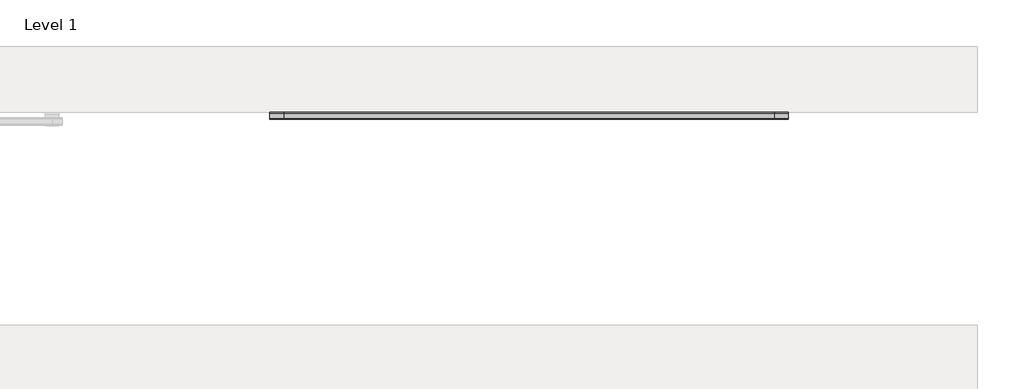
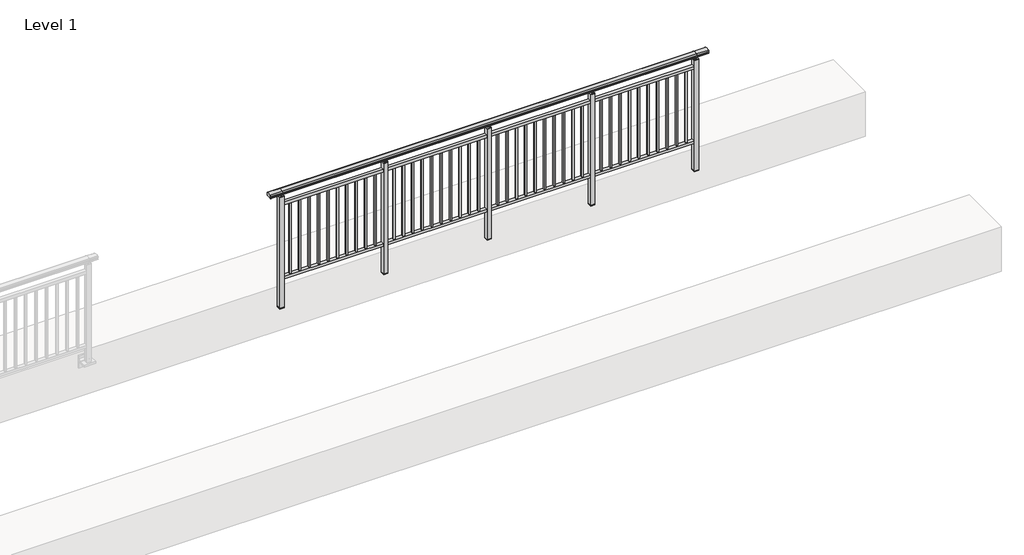
# One storey, part 20 of 64: 1 railing.
"""IFC4 building model written with IfcOpenShell, lengths in millimetres."""

from ifc_helpers import new_model, si_unit, frame, origin, place, context, project, spatial, polyline, circle_curve, outline, extrude, element, save
from ifc_brep_helpers import plane_surface, cylinder_surface, revolved_surface, advanced_brep

model = new_model("IFC4")

# Units and contexts
model_context = context("Model", 3, world=origin())
ifc_project = project(units=[si_unit("LENGTHUNIT", "METRE", prefix="MILLI")], contexts=[model_context])

# Site, building, storey
site = spatial("IfcSite", under=ifc_project)
building = spatial("IfcBuilding", under=site)
storey = spatial("IfcBuildingStorey", under=building, Name="Level 1", Elevation=0.0)

# Railing
placement = place(None, origin())
element("IfcRailing", 1, at=placement, inside=storey, context=model_context, shape_type="SolidModel", body=[
    advanced_brep(
    [(19349.5, 4892.8633756, 1095.6691182), (19349.5, 4897.6846828, 1081.1334092), (19349.5, 4896.7413744, 1069.2539035), (19349.5, 4898.6364177, 1061.4863007), (19349.5, 4896.9894799, 1060.384124), (19349.5, 4896.9894799, 1062.0), (19349.5, 4838.3798858, 1062.0), (19349.5, 4838.3798858, 1060.384124), (19349.5, 4836.732948, 1061.4863007), (19349.5, 4838.6279912, 1069.2539035), (19349.5, 4837.6846828, 1081.1334092), (19349.5, 4842.50599, 1095.6691182), (24004.5, 4892.8633756, 1095.6691182), (24004.5, 4842.50599, 1095.6691182), (24004.5, 4837.6846828, 1081.1334092), (24004.5, 4838.6279912, 1069.2539035), (24004.5, 4836.732948, 1061.4863007), (24004.5, 4838.3798858, 1060.384124), (24004.5, 4838.3798858, 1062.0), (24004.5, 4896.9894799, 1062.0), (24004.5, 4896.9894799, 1060.384124), (24004.5, 4898.6364177, 1061.4863007), (24004.5, 4896.7413744, 1069.2539035), (24004.5, 4897.6846828, 1081.1334092), (19477.0, 4892.8633756, 1095.6691182), (19477.0, 4897.6846828, 1081.1334092), (19477.0, 4896.7413744, 1069.2539035), (19477.0, 4898.6364177, 1061.4863007), (19477.0, 4896.9894799, 1060.384124), (19477.0, 4896.9894799, 1062.0), (19477.0, 4838.3798858, 1062.0), (19477.0, 4838.3798858, 1060.384124), (19477.0, 4836.732948, 1061.4863007), (19477.0, 4838.6279912, 1069.2539035), (19477.0, 4837.6846828, 1081.1334092), (19477.0, 4842.50599, 1095.6691182), (23877.0, 4892.8633756, 1095.6691182), (23877.0, 4897.6846828, 1081.1334092), (23877.0, 4896.7413744, 1069.2539035), (23877.0, 4898.6364177, 1061.4863007), (23877.0, 4896.9894799, 1060.384124), (23877.0, 4896.9894799, 1062.0), (23877.0, 4838.3798858, 1062.0), (23877.0, 4838.3798858, 1060.384124), (23877.0, 4836.732948, 1061.4863007), (23877.0, 4838.6279912, 1069.2539035), (23877.0, 4837.6846828, 1081.1334092), (23877.0, 4842.50599, 1095.6691182)],
    [
        (0, 1, circle_curve(frame((19349.5, 4889.6223845, 1086.526686), z_axis=(-1.0, 0.0, 0.0), x_axis=(0.0, -1.0, 0.0)), 9.6999015)),
        (1, 2, circle_curve(frame((19349.5, 4915.2252545, 1073.7633709), z_axis=(1.0, 0.0, 0.0), x_axis=(0.0, -1.0, 0.0)), 19.0260117)),
        (2, 3),
        (3, 4, circle_curve(frame((19349.5, 4897.7772073, 1060.9886194), z_axis=(-1.0, 0.0, 0.0), x_axis=(0.0, -1.0, 0.0)), 0.9929396)),
        (4, 5),
        (5, 6),
        (6, 7),
        (7, 8, circle_curve(frame((19349.5, 4837.5921584, 1060.9886194), z_axis=(-1.0, 0.0, 0.0), x_axis=(0.0, 1.0, 0.0)), 0.9929396)),
        (8, 9),
        (9, 10, circle_curve(frame((19349.5, 4820.1441111, 1073.7633709), z_axis=(1.0, 0.0, 0.0), x_axis=(0.0, 1.0, 0.0)), 19.0260117)),
        (10, 11, circle_curve(frame((19349.5, 4845.7469812, 1086.526686), z_axis=(-1.0, 0.0, 0.0), x_axis=(0.0, 1.0, 0.0)), 9.6999015)),
        (11, 0, circle_curve(frame((19349.5, 4867.6846828, 1024.6431628), z_axis=(-1.0, 0.0, 0.0), x_axis=(0.0, 1.0, 0.0)), 75.3568372)),
        (12, 13, circle_curve(frame((24004.5, 4867.6846828, 1024.6431628), z_axis=(1.0, 0.0, 0.0), x_axis=(0.0, 1.0, 0.0)), 75.3568372)),
        (13, 14, circle_curve(frame((24004.5, 4845.7469812, 1086.526686), z_axis=(1.0, 0.0, 0.0), x_axis=(0.0, 1.0, 0.0)), 9.6999015)),
        (14, 15, circle_curve(frame((24004.5, 4820.1441111, 1073.7633709), z_axis=(-1.0, 0.0, 0.0), x_axis=(0.0, 1.0, 0.0)), 19.0260117)),
        (15, 16),
        (16, 17, circle_curve(frame((24004.5, 4837.5921584, 1060.9886194), z_axis=(1.0, 0.0, 0.0), x_axis=(0.0, 1.0, 0.0)), 0.9929396)),
        (17, 18),
        (18, 19),
        (19, 20),
        (20, 21, circle_curve(frame((24004.5, 4897.7772073, 1060.9886194), z_axis=(1.0, 0.0, 0.0), x_axis=(0.0, -1.0, 0.0)), 0.9929396)),
        (21, 22),
        (22, 23, circle_curve(frame((24004.5, 4915.2252545, 1073.7633709), z_axis=(-1.0, 0.0, 0.0), x_axis=(0.0, -1.0, 0.0)), 19.0260117)),
        (23, 12, circle_curve(frame((24004.5, 4889.6223845, 1086.526686), z_axis=(1.0, 0.0, 0.0), x_axis=(0.0, -1.0, 0.0)), 9.6999015)),
        (0, 24),
        (24, 25, circle_curve(frame((19477.0, 4889.6223845, 1086.526686), z_axis=(-1.0, 0.0, 0.0), x_axis=(0.0, -1.0, 0.0)), 9.6999015)),
        (25, 1),
        (25, 26, circle_curve(frame((19477.0, 4915.2252545, 1073.7633709), z_axis=(1.0, 0.0, 0.0), x_axis=(0.0, -1.0, 0.0)), 19.0260117)),
        (26, 2),
        (26, 27),
        (27, 3),
        (27, 28, circle_curve(frame((19477.0, 4897.7772073, 1060.9886194), z_axis=(-1.0, 0.0, 0.0), x_axis=(0.0, -1.0, 0.0)), 0.9929396)),
        (28, 4),
        (28, 29),
        (29, 5),
        (29, 30),
        (30, 6),
        (30, 31),
        (31, 7),
        (31, 32, circle_curve(frame((19477.0, 4837.5921584, 1060.9886194), z_axis=(-1.0, 0.0, 0.0), x_axis=(0.0, 1.0, 0.0)), 0.9929396)),
        (32, 8),
        (32, 33),
        (33, 9),
        (33, 34, circle_curve(frame((19477.0, 4820.1441111, 1073.7633709), z_axis=(1.0, 0.0, 0.0), x_axis=(0.0, 1.0, 0.0)), 19.0260117)),
        (34, 10),
        (34, 35, circle_curve(frame((19477.0, 4845.7469812, 1086.526686), z_axis=(-1.0, 0.0, 0.0), x_axis=(0.0, 1.0, 0.0)), 9.6999015)),
        (35, 11),
        (35, 24, circle_curve(frame((19477.0, 4867.6846828, 1024.6431628), z_axis=(-1.0, 0.0, 0.0), x_axis=(0.0, 1.0, 0.0)), 75.3568372)),
        (24, 36),
        (36, 37, circle_curve(frame((23877.0, 4889.6223845, 1086.526686), z_axis=(-1.0, 0.0, 0.0), x_axis=(0.0, -1.0, 0.0)), 9.6999015)),
        (37, 25),
        (37, 38, circle_curve(frame((23877.0, 4915.2252545, 1073.7633709), z_axis=(1.0, 0.0, 0.0), x_axis=(0.0, -1.0, 0.0)), 19.0260117)),
        (38, 26),
        (38, 39),
        (39, 27),
        (39, 40, circle_curve(frame((23877.0, 4897.7772073, 1060.9886194), z_axis=(-1.0, 0.0, 0.0), x_axis=(0.0, -1.0, 0.0)), 0.9929396)),
        (40, 28),
        (40, 41),
        (41, 29),
        (41, 42),
        (42, 30),
        (42, 43),
        (43, 31),
        (43, 44, circle_curve(frame((23877.0, 4837.5921584, 1060.9886194), z_axis=(-1.0, 0.0, 0.0), x_axis=(0.0, 1.0, 0.0)), 0.9929396)),
        (44, 32),
        (44, 45),
        (45, 33),
        (45, 46, circle_curve(frame((23877.0, 4820.1441111, 1073.7633709), z_axis=(1.0, 0.0, 0.0), x_axis=(0.0, 1.0, 0.0)), 19.0260117)),
        (46, 34),
        (46, 47, circle_curve(frame((23877.0, 4845.7469812, 1086.526686), z_axis=(-1.0, 0.0, 0.0), x_axis=(0.0, 1.0, 0.0)), 9.6999015)),
        (47, 35),
        (47, 36, circle_curve(frame((23877.0, 4867.6846828, 1024.6431628), z_axis=(-1.0, 0.0, 0.0), x_axis=(0.0, 1.0, 0.0)), 75.3568372)),
        (36, 12),
        (23, 37),
        (22, 38),
        (21, 39),
        (20, 40),
        (19, 41),
        (18, 42),
        (17, 43),
        (16, 44),
        (15, 45),
        (14, 46),
        (13, 47),
    ],
    [
        plane_surface(frame((19349.5, 4867.6846828, 1100.0), z_axis=(-1.0, 0.0, 0.0), x_axis=(0.0, 1.0, 0.0))),
        plane_surface(frame((24004.5, 4867.6846828, 1100.0), z_axis=(1.0, 0.0, 0.0), x_axis=(0.0, 1.0, 0.0))),
        cylinder_surface(frame((19349.5, 4889.6223845, 1086.526686), z_axis=(-1.0, 0.0, 0.0), x_axis=(0.0, -1.0, 0.0)), 9.6999015),
        revolved_surface(polyline([(19477.0, 4896.1992428, 1073.7633709), (19349.5, 4896.1992428, 1073.7633709)]), (19349.5, 4915.2252545, 1073.7633709), (1.0, 0.0, 0.0)),
        plane_surface(frame((19349.5, 4896.7413744, 1069.2539035), z_axis=(0.0, 0.9715057689301543, 0.2370159086125439), x_axis=(1.0, 0.0, 0.0))),
        cylinder_surface(frame((19349.5, 4897.7772073, 1060.9886194), z_axis=(-1.0, 0.0, 0.0), x_axis=(0.0, -1.0, 0.0)), 0.9929396),
        plane_surface(frame((19349.5, 4896.9894799, 1060.384124), z_axis=(0.0, -1.0, 0.0), x_axis=(1.0, 0.0, 0.0))),
        plane_surface(frame((19349.5, 4896.9894799, 1062.0), z_axis=(0.0, 0.0, -1.0), x_axis=(1.0, 0.0, 0.0))),
        plane_surface(frame((19349.5, 4838.3798858, 1062.0), z_axis=(0.0, 1.0, 0.0), x_axis=(1.0, 0.0, 0.0))),
        cylinder_surface(frame((19349.5, 4837.5921584, 1060.9886194), z_axis=(-1.0, 0.0, 0.0), x_axis=(0.0, 1.0, 0.0)), 0.9929396),
        plane_surface(frame((19349.5, 4836.732948, 1061.4863007), z_axis=(0.0, -0.9715057689301543, 0.2370159086125439), x_axis=(1.0, 0.0, 0.0))),
        revolved_surface(polyline([(19477.0, 4839.1701228, 1073.7633709), (19349.5, 4839.1701228, 1073.7633709)]), (19349.5, 4820.1441111, 1073.7633709), (1.0, 0.0, 0.0)),
        cylinder_surface(frame((19349.5, 4845.7469812, 1086.526686), z_axis=(-1.0, 0.0, 0.0), x_axis=(0.0, 1.0, 0.0)), 9.6999015),
        cylinder_surface(frame((19349.5, 4867.6846828, 1024.6431628), z_axis=(-1.0, 0.0, 0.0), x_axis=(0.0, 1.0, 0.0)), 75.3568372),
        cylinder_surface(frame((19477.0, 4889.6223845, 1086.526686), z_axis=(-1.0, 0.0, 0.0), x_axis=(0.0, -1.0, 0.0)), 9.6999015),
        revolved_surface(polyline([(23877.0, 4896.1992428, 1073.7633709), (19477.0, 4896.1992428, 1073.7633709)]), (19477.0, 4915.2252545, 1073.7633709), (1.0, 0.0, 0.0)),
        plane_surface(frame((19477.0, 4896.7413744, 1069.2539035), z_axis=(0.0, 0.9715057689301543, 0.2370159086125439), x_axis=(1.0, 0.0, 0.0))),
        cylinder_surface(frame((19477.0, 4897.7772073, 1060.9886194), z_axis=(-1.0, 0.0, 0.0), x_axis=(0.0, -1.0, 0.0)), 0.9929396),
        plane_surface(frame((19477.0, 4896.9894799, 1060.384124), z_axis=(0.0, -1.0, 0.0), x_axis=(1.0, 0.0, 0.0))),
        plane_surface(frame((19477.0, 4896.9894799, 1062.0), z_axis=(0.0, 0.0, -1.0), x_axis=(1.0, 0.0, 0.0))),
        plane_surface(frame((19477.0, 4838.3798858, 1062.0), z_axis=(0.0, 1.0, 0.0), x_axis=(1.0, 0.0, 0.0))),
        cylinder_surface(frame((19477.0, 4837.5921584, 1060.9886194), z_axis=(-1.0, 0.0, 0.0), x_axis=(0.0, 1.0, 0.0)), 0.9929396),
        plane_surface(frame((19477.0, 4836.732948, 1061.4863007), z_axis=(0.0, -0.9715057689301543, 0.2370159086125439), x_axis=(1.0, 0.0, 0.0))),
        revolved_surface(polyline([(23877.0, 4839.1701228, 1073.7633709), (19477.0, 4839.1701228, 1073.7633709)]), (19477.0, 4820.1441111, 1073.7633709), (1.0, 0.0, 0.0)),
        cylinder_surface(frame((19477.0, 4845.7469812, 1086.526686), z_axis=(-1.0, 0.0, 0.0), x_axis=(0.0, 1.0, 0.0)), 9.6999015),
        cylinder_surface(frame((19477.0, 4867.6846828, 1024.6431628), z_axis=(-1.0, 0.0, 0.0), x_axis=(0.0, 1.0, 0.0)), 75.3568372),
        cylinder_surface(frame((23877.0, 4889.6223845, 1086.526686), z_axis=(-1.0, 0.0, 0.0), x_axis=(0.0, -1.0, 0.0)), 9.6999015),
        revolved_surface(polyline([(24004.5, 4896.1992428, 1073.7633709), (23877.0, 4896.1992428, 1073.7633709)]), (23877.0, 4915.2252545, 1073.7633709), (1.0, 0.0, 0.0)),
        plane_surface(frame((23877.0, 4896.7413744, 1069.2539035), z_axis=(0.0, 0.9715057689301543, 0.2370159086125439), x_axis=(1.0, 0.0, 0.0))),
        cylinder_surface(frame((23877.0, 4897.7772073, 1060.9886194), z_axis=(-1.0, 0.0, 0.0), x_axis=(0.0, -1.0, 0.0)), 0.9929396),
        plane_surface(frame((23877.0, 4896.9894799, 1060.384124), z_axis=(0.0, -1.0, 0.0), x_axis=(1.0, 0.0, 0.0))),
        plane_surface(frame((23877.0, 4896.9894799, 1062.0), z_axis=(0.0, 0.0, -1.0), x_axis=(1.0, 0.0, 0.0))),
        plane_surface(frame((23877.0, 4838.3798858, 1062.0), z_axis=(0.0, 1.0, 0.0), x_axis=(1.0, 0.0, 0.0))),
        cylinder_surface(frame((23877.0, 4837.5921584, 1060.9886194), z_axis=(-1.0, 0.0, 0.0), x_axis=(0.0, 1.0, 0.0)), 0.9929396),
        plane_surface(frame((23877.0, 4836.732948, 1061.4863007), z_axis=(0.0, -0.9715057689301543, 0.2370159086125439), x_axis=(1.0, 0.0, 0.0))),
        revolved_surface(polyline([(24004.5, 4839.1701228, 1073.7633709), (23877.0, 4839.1701228, 1073.7633709)]), (23877.0, 4820.1441111, 1073.7633709), (1.0, 0.0, 0.0)),
        cylinder_surface(frame((23877.0, 4845.7469812, 1086.526686), z_axis=(-1.0, 0.0, 0.0), x_axis=(0.0, 1.0, 0.0)), 9.6999015),
        cylinder_surface(frame((23877.0, 4867.6846828, 1024.6431628), z_axis=(-1.0, 0.0, 0.0), x_axis=(0.0, 1.0, 0.0)), 75.3568372),
    ],
    [
        (0, [[1, 2, 3, 4, 5, 6, 7, 8, 9, 10, 11, 12]]),
        (1, [[13, 14, 15, 16, 17, 18, 19, 20, 21, 22, 23, 24]]),
        (2, [[-1, 25, 26, 27]]),
        (3, [[-2, -27, 28, 29]]),
        (4, [[-3, -29, 30, 31]]),
        (5, [[-4, -31, 32, 33]]),
        (6, [[-5, -33, 34, 35]]),
        (7, [[-6, -35, 36, 37]]),
        (8, [[-7, -37, 38, 39]]),
        (9, [[-8, -39, 40, 41]]),
        (10, [[-9, -41, 42, 43]]),
        (11, [[-10, -43, 44, 45]]),
        (12, [[-11, -45, 46, 47]]),
        (13, [[-12, -47, 48, -25]]),
        (14, [[-26, 49, 50, 51]]),
        (15, [[-28, -51, 52, 53]]),
        (16, [[-30, -53, 54, 55]]),
        (17, [[-32, -55, 56, 57]]),
        (18, [[-34, -57, 58, 59]]),
        (19, [[-36, -59, 60, 61]]),
        (20, [[-38, -61, 62, 63]]),
        (21, [[-40, -63, 64, 65]]),
        (22, [[-42, -65, 66, 67]]),
        (23, [[-44, -67, 68, 69]]),
        (24, [[-46, -69, 70, 71]]),
        (25, [[-48, -71, 72, -49]]),
        (26, [[-50, 73, -24, 74]]),
        (27, [[-52, -74, -23, 75]]),
        (28, [[-54, -75, -22, 76]]),
        (29, [[-56, -76, -21, 77]]),
        (30, [[-58, -77, -20, 78]]),
        (31, [[-60, -78, -19, 79]]),
        (32, [[-62, -79, -18, 80]]),
        (33, [[-64, -80, -17, 81]]),
        (34, [[-66, -81, -16, 82]]),
        (35, [[-68, -82, -15, 83]]),
        (36, [[-70, -83, -14, 84]]),
        (37, [[-72, -84, -13, -73]]),
    ],
),
    extrude(outline(polyline([(19477.0, 4850.1846828), (19477.0, 4885.1846828), (23877.0, 4885.1846828), (23877.0, 4850.1846828), (19477.0, 4850.1846828)])), frame((0.0, 0.0, 930.0), z_axis=(0.0, 0.0, 1.0), x_axis=(1.0, 0.0, 0.0)), (0.0, 0.0, 1.0), 30.0),
    extrude(outline(polyline([(19477.0, 4850.1846828), (19477.0, 4885.1846828), (23877.0, 4885.1846828), (23877.0, 4850.1846828), (19477.0, 4850.1846828)])), frame((0.0, 0.0, 95.0), z_axis=(0.0, 0.0, 1.0), x_axis=(1.0, 0.0, 0.0)), (0.0, 0.0, 1.0), 30.0),
    extrude(outline(polyline([(23785.5, 4859.1846828), (23768.5, 4859.1846828), (23768.5, 4876.1846828), (23785.5, 4876.1846828), (23785.5, 4859.1846828)])), frame((0.0, 0.0, 125.0), z_axis=(0.0, 0.0, 1.0), x_axis=(1.0, 0.0, 0.0)), (0.0, 0.0, 1.0), 805.0),
    extrude(outline(polyline([(23685.5, 4859.1846828), (23668.5, 4859.1846828), (23668.5, 4876.1846828), (23685.5, 4876.1846828), (23685.5, 4859.1846828)])), frame((0.0, 0.0, 125.0), z_axis=(0.0, 0.0, 1.0), x_axis=(1.0, 0.0, 0.0)), (0.0, 0.0, 1.0), 805.0),
    extrude(outline(polyline([(23585.5, 4859.1846828), (23568.5, 4859.1846828), (23568.5, 4876.1846828), (23585.5, 4876.1846828), (23585.5, 4859.1846828)])), frame((0.0, 0.0, 125.0), z_axis=(0.0, 0.0, 1.0), x_axis=(1.0, 0.0, 0.0)), (0.0, 0.0, 1.0), 805.0),
    extrude(outline(polyline([(23485.5, 4859.1846828), (23468.5, 4859.1846828), (23468.5, 4876.1846828), (23485.5, 4876.1846828), (23485.5, 4859.1846828)])), frame((0.0, 0.0, 125.0), z_axis=(0.0, 0.0, 1.0), x_axis=(1.0, 0.0, 0.0)), (0.0, 0.0, 1.0), 805.0),
    extrude(outline(polyline([(23385.5, 4859.1846828), (23368.5, 4859.1846828), (23368.5, 4876.1846828), (23385.5, 4876.1846828), (23385.5, 4859.1846828)])), frame((0.0, 0.0, 125.0), z_axis=(0.0, 0.0, 1.0), x_axis=(1.0, 0.0, 0.0)), (0.0, 0.0, 1.0), 805.0),
    extrude(outline(polyline([(23285.5, 4859.1846828), (23268.5, 4859.1846828), (23268.5, 4876.1846828), (23285.5, 4876.1846828), (23285.5, 4859.1846828)])), frame((0.0, 0.0, 125.0), z_axis=(0.0, 0.0, 1.0), x_axis=(1.0, 0.0, 0.0)), (0.0, 0.0, 1.0), 805.0),
    extrude(outline(polyline([(23185.5, 4859.1846828), (23168.5, 4859.1846828), (23168.5, 4876.1846828), (23185.5, 4876.1846828), (23185.5, 4859.1846828)])), frame((0.0, 0.0, 125.0), z_axis=(0.0, 0.0, 1.0), x_axis=(1.0, 0.0, 0.0)), (0.0, 0.0, 1.0), 805.0),
    extrude(outline(polyline([(23085.5, 4859.1846828), (23068.5, 4859.1846828), (23068.5, 4876.1846828), (23085.5, 4876.1846828), (23085.5, 4859.1846828)])), frame((0.0, 0.0, 125.0), z_axis=(0.0, 0.0, 1.0), x_axis=(1.0, 0.0, 0.0)), (0.0, 0.0, 1.0), 805.0),
    extrude(outline(polyline([(22985.5, 4859.1846828), (22968.5, 4859.1846828), (22968.5, 4876.1846828), (22985.5, 4876.1846828), (22985.5, 4859.1846828)])), frame((0.0, 0.0, 125.0), z_axis=(0.0, 0.0, 1.0), x_axis=(1.0, 0.0, 0.0)), (0.0, 0.0, 1.0), 805.0),
    extrude(outline(polyline([(22885.5, 4859.1846828), (22868.5, 4859.1846828), (22868.5, 4876.1846828), (22885.5, 4876.1846828), (22885.5, 4859.1846828)])), frame((0.0, 0.0, 125.0), z_axis=(0.0, 0.0, 1.0), x_axis=(1.0, 0.0, 0.0)), (0.0, 0.0, 1.0), 805.0),
    extrude(outline(polyline([(22799.5, 4890.1846828), (22799.5, 4845.1846828), (22754.5, 4845.1846828), (22754.5, 4890.1846828), (22799.5, 4890.1846828)])), frame((0.0, 0.0, 1027.0), z_axis=(0.0, 0.0, 1.0), x_axis=(1.0, 0.0, 0.0)), (0.0, 0.0, 1.0), 8.0),
    extrude(outline(polyline([(22799.5, 4890.1846828), (22799.5, 4845.1846828), (22754.5, 4845.1846828), (22754.5, 4890.1846828), (22799.5, 4890.1846828)])), frame((0.0, 0.0, -212.0), z_axis=(0.0, 0.0, 1.0), x_axis=(1.0, 0.0, 0.0)), (0.0, 0.0, 1.0), 1239.0),
    extrude(outline(polyline([(22787.0, 4877.6846828), (22787.0, 4857.6846828), (22767.0, 4857.6846828), (22767.0, 4877.6846828), (22787.0, 4877.6846828)])), frame((0.0, 0.0, 1035.0), z_axis=(0.0, 0.0, 1.0), x_axis=(1.0, 0.0, 0.0)), (0.0, 0.0, 1.0), 20.0),
    extrude(outline(polyline([(22799.5, 4890.1846828), (22799.5, 4845.1846828), (22754.5, 4845.1846828), (22754.5, 4890.1846828), (22799.5, 4890.1846828)])), frame((0.0, 0.0, -220.0), z_axis=(0.0, 0.0, 1.0), x_axis=(1.0, 0.0, 0.0)), (0.0, 0.0, 1.0), 8.0),
    extrude(outline(polyline([(22685.5, 4859.1846828), (22668.5, 4859.1846828), (22668.5, 4876.1846828), (22685.5, 4876.1846828), (22685.5, 4859.1846828)])), frame((0.0, 0.0, 125.0), z_axis=(0.0, 0.0, 1.0), x_axis=(1.0, 0.0, 0.0)), (0.0, 0.0, 1.0), 805.0),
    extrude(outline(polyline([(22585.5, 4859.1846828), (22568.5, 4859.1846828), (22568.5, 4876.1846828), (22585.5, 4876.1846828), (22585.5, 4859.1846828)])), frame((0.0, 0.0, 125.0), z_axis=(0.0, 0.0, 1.0), x_axis=(1.0, 0.0, 0.0)), (0.0, 0.0, 1.0), 805.0),
    extrude(outline(polyline([(22485.5, 4859.1846828), (22468.5, 4859.1846828), (22468.5, 4876.1846828), (22485.5, 4876.1846828), (22485.5, 4859.1846828)])), frame((0.0, 0.0, 125.0), z_axis=(0.0, 0.0, 1.0), x_axis=(1.0, 0.0, 0.0)), (0.0, 0.0, 1.0), 805.0),
    extrude(outline(polyline([(22385.5, 4859.1846828), (22368.5, 4859.1846828), (22368.5, 4876.1846828), (22385.5, 4876.1846828), (22385.5, 4859.1846828)])), frame((0.0, 0.0, 125.0), z_axis=(0.0, 0.0, 1.0), x_axis=(1.0, 0.0, 0.0)), (0.0, 0.0, 1.0), 805.0),
    extrude(outline(polyline([(22285.5, 4859.1846828), (22268.5, 4859.1846828), (22268.5, 4876.1846828), (22285.5, 4876.1846828), (22285.5, 4859.1846828)])), frame((0.0, 0.0, 125.0), z_axis=(0.0, 0.0, 1.0), x_axis=(1.0, 0.0, 0.0)), (0.0, 0.0, 1.0), 805.0),
    extrude(outline(polyline([(22185.5, 4859.1846828), (22168.5, 4859.1846828), (22168.5, 4876.1846828), (22185.5, 4876.1846828), (22185.5, 4859.1846828)])), frame((0.0, 0.0, 125.0), z_axis=(0.0, 0.0, 1.0), x_axis=(1.0, 0.0, 0.0)), (0.0, 0.0, 1.0), 805.0),
    extrude(outline(polyline([(22085.5, 4859.1846828), (22068.5, 4859.1846828), (22068.5, 4876.1846828), (22085.5, 4876.1846828), (22085.5, 4859.1846828)])), frame((0.0, 0.0, 125.0), z_axis=(0.0, 0.0, 1.0), x_axis=(1.0, 0.0, 0.0)), (0.0, 0.0, 1.0), 805.0),
    extrude(outline(polyline([(21985.5, 4859.1846828), (21968.5, 4859.1846828), (21968.5, 4876.1846828), (21985.5, 4876.1846828), (21985.5, 4859.1846828)])), frame((0.0, 0.0, 125.0), z_axis=(0.0, 0.0, 1.0), x_axis=(1.0, 0.0, 0.0)), (0.0, 0.0, 1.0), 805.0),
    extrude(outline(polyline([(21885.5, 4859.1846828), (21868.5, 4859.1846828), (21868.5, 4876.1846828), (21885.5, 4876.1846828), (21885.5, 4859.1846828)])), frame((0.0, 0.0, 125.0), z_axis=(0.0, 0.0, 1.0), x_axis=(1.0, 0.0, 0.0)), (0.0, 0.0, 1.0), 805.0),
    extrude(outline(polyline([(21785.5, 4859.1846828), (21768.5, 4859.1846828), (21768.5, 4876.1846828), (21785.5, 4876.1846828), (21785.5, 4859.1846828)])), frame((0.0, 0.0, 125.0), z_axis=(0.0, 0.0, 1.0), x_axis=(1.0, 0.0, 0.0)), (0.0, 0.0, 1.0), 805.0),
    extrude(outline(polyline([(21699.5, 4890.1846828), (21699.5, 4845.1846828), (21654.5, 4845.1846828), (21654.5, 4890.1846828), (21699.5, 4890.1846828)])), frame((0.0, 0.0, 1027.0), z_axis=(0.0, 0.0, 1.0), x_axis=(1.0, 0.0, 0.0)), (0.0, 0.0, 1.0), 8.0),
    extrude(outline(polyline([(21699.5, 4890.1846828), (21699.5, 4845.1846828), (21654.5, 4845.1846828), (21654.5, 4890.1846828), (21699.5, 4890.1846828)])), frame((0.0, 0.0, -212.0), z_axis=(0.0, 0.0, 1.0), x_axis=(1.0, 0.0, 0.0)), (0.0, 0.0, 1.0), 1239.0),
    extrude(outline(polyline([(21687.0, 4877.6846828), (21687.0, 4857.6846828), (21667.0, 4857.6846828), (21667.0, 4877.6846828), (21687.0, 4877.6846828)])), frame((0.0, 0.0, 1035.0), z_axis=(0.0, 0.0, 1.0), x_axis=(1.0, 0.0, 0.0)), (0.0, 0.0, 1.0), 20.0),
    extrude(outline(polyline([(21699.5, 4890.1846828), (21699.5, 4845.1846828), (21654.5, 4845.1846828), (21654.5, 4890.1846828), (21699.5, 4890.1846828)])), frame((0.0, 0.0, -220.0), z_axis=(0.0, 0.0, 1.0), x_axis=(1.0, 0.0, 0.0)), (0.0, 0.0, 1.0), 8.0),
    extrude(outline(polyline([(21585.5, 4859.1846828), (21568.5, 4859.1846828), (21568.5, 4876.1846828), (21585.5, 4876.1846828), (21585.5, 4859.1846828)])), frame((0.0, 0.0, 125.0), z_axis=(0.0, 0.0, 1.0), x_axis=(1.0, 0.0, 0.0)), (0.0, 0.0, 1.0), 805.0),
    extrude(outline(polyline([(21485.5, 4859.1846828), (21468.5, 4859.1846828), (21468.5, 4876.1846828), (21485.5, 4876.1846828), (21485.5, 4859.1846828)])), frame((0.0, 0.0, 125.0), z_axis=(0.0, 0.0, 1.0), x_axis=(1.0, 0.0, 0.0)), (0.0, 0.0, 1.0), 805.0),
    extrude(outline(polyline([(21385.5, 4859.1846828), (21368.5, 4859.1846828), (21368.5, 4876.1846828), (21385.5, 4876.1846828), (21385.5, 4859.1846828)])), frame((0.0, 0.0, 125.0), z_axis=(0.0, 0.0, 1.0), x_axis=(1.0, 0.0, 0.0)), (0.0, 0.0, 1.0), 805.0),
    extrude(outline(polyline([(21285.5, 4859.1846828), (21268.5, 4859.1846828), (21268.5, 4876.1846828), (21285.5, 4876.1846828), (21285.5, 4859.1846828)])), frame((0.0, 0.0, 125.0), z_axis=(0.0, 0.0, 1.0), x_axis=(1.0, 0.0, 0.0)), (0.0, 0.0, 1.0), 805.0),
    extrude(outline(polyline([(21185.5, 4859.1846828), (21168.5, 4859.1846828), (21168.5, 4876.1846828), (21185.5, 4876.1846828), (21185.5, 4859.1846828)])), frame((0.0, 0.0, 125.0), z_axis=(0.0, 0.0, 1.0), x_axis=(1.0, 0.0, 0.0)), (0.0, 0.0, 1.0), 805.0),
    extrude(outline(polyline([(21085.5, 4859.1846828), (21068.5, 4859.1846828), (21068.5, 4876.1846828), (21085.5, 4876.1846828), (21085.5, 4859.1846828)])), frame((0.0, 0.0, 125.0), z_axis=(0.0, 0.0, 1.0), x_axis=(1.0, 0.0, 0.0)), (0.0, 0.0, 1.0), 805.0),
    extrude(outline(polyline([(20985.5, 4859.1846828), (20968.5, 4859.1846828), (20968.5, 4876.1846828), (20985.5, 4876.1846828), (20985.5, 4859.1846828)])), frame((0.0, 0.0, 125.0), z_axis=(0.0, 0.0, 1.0), x_axis=(1.0, 0.0, 0.0)), (0.0, 0.0, 1.0), 805.0),
    extrude(outline(polyline([(20885.5, 4859.1846828), (20868.5, 4859.1846828), (20868.5, 4876.1846828), (20885.5, 4876.1846828), (20885.5, 4859.1846828)])), frame((0.0, 0.0, 125.0), z_axis=(0.0, 0.0, 1.0), x_axis=(1.0, 0.0, 0.0)), (0.0, 0.0, 1.0), 805.0),
    extrude(outline(polyline([(20785.5, 4859.1846828), (20768.5, 4859.1846828), (20768.5, 4876.1846828), (20785.5, 4876.1846828), (20785.5, 4859.1846828)])), frame((0.0, 0.0, 125.0), z_axis=(0.0, 0.0, 1.0), x_axis=(1.0, 0.0, 0.0)), (0.0, 0.0, 1.0), 805.0),
    extrude(outline(polyline([(20685.5, 4859.1846828), (20668.5, 4859.1846828), (20668.5, 4876.1846828), (20685.5, 4876.1846828), (20685.5, 4859.1846828)])), frame((0.0, 0.0, 125.0), z_axis=(0.0, 0.0, 1.0), x_axis=(1.0, 0.0, 0.0)), (0.0, 0.0, 1.0), 805.0),
    extrude(outline(polyline([(20599.5, 4890.1846828), (20599.5, 4845.1846828), (20554.5, 4845.1846828), (20554.5, 4890.1846828), (20599.5, 4890.1846828)])), frame((0.0, 0.0, 1027.0), z_axis=(0.0, 0.0, 1.0), x_axis=(1.0, 0.0, 0.0)), (0.0, 0.0, 1.0), 8.0),
    extrude(outline(polyline([(20599.5, 4890.1846828), (20599.5, 4845.1846828), (20554.5, 4845.1846828), (20554.5, 4890.1846828), (20599.5, 4890.1846828)])), frame((0.0, 0.0, -212.0), z_axis=(0.0, 0.0, 1.0), x_axis=(1.0, 0.0, 0.0)), (0.0, 0.0, 1.0), 1239.0),
    extrude(outline(polyline([(20587.0, 4877.6846828), (20587.0, 4857.6846828), (20567.0, 4857.6846828), (20567.0, 4877.6846828), (20587.0, 4877.6846828)])), frame((0.0, 0.0, 1035.0), z_axis=(0.0, 0.0, 1.0), x_axis=(1.0, 0.0, 0.0)), (0.0, 0.0, 1.0), 20.0),
    extrude(outline(polyline([(20599.5, 4890.1846828), (20599.5, 4845.1846828), (20554.5, 4845.1846828), (20554.5, 4890.1846828), (20599.5, 4890.1846828)])), frame((0.0, 0.0, -220.0), z_axis=(0.0, 0.0, 1.0), x_axis=(1.0, 0.0, 0.0)), (0.0, 0.0, 1.0), 8.0),
    extrude(outline(polyline([(20485.5, 4859.1846828), (20468.5, 4859.1846828), (20468.5, 4876.1846828), (20485.5, 4876.1846828), (20485.5, 4859.1846828)])), frame((0.0, 0.0, 125.0), z_axis=(0.0, 0.0, 1.0), x_axis=(1.0, 0.0, 0.0)), (0.0, 0.0, 1.0), 805.0),
    extrude(outline(polyline([(20385.5, 4859.1846828), (20368.5, 4859.1846828), (20368.5, 4876.1846828), (20385.5, 4876.1846828), (20385.5, 4859.1846828)])), frame((0.0, 0.0, 125.0), z_axis=(0.0, 0.0, 1.0), x_axis=(1.0, 0.0, 0.0)), (0.0, 0.0, 1.0), 805.0),
    extrude(outline(polyline([(20285.5, 4859.1846828), (20268.5, 4859.1846828), (20268.5, 4876.1846828), (20285.5, 4876.1846828), (20285.5, 4859.1846828)])), frame((0.0, 0.0, 125.0), z_axis=(0.0, 0.0, 1.0), x_axis=(1.0, 0.0, 0.0)), (0.0, 0.0, 1.0), 805.0),
    extrude(outline(polyline([(20185.5, 4859.1846828), (20168.5, 4859.1846828), (20168.5, 4876.1846828), (20185.5, 4876.1846828), (20185.5, 4859.1846828)])), frame((0.0, 0.0, 125.0), z_axis=(0.0, 0.0, 1.0), x_axis=(1.0, 0.0, 0.0)), (0.0, 0.0, 1.0), 805.0),
    extrude(outline(polyline([(20085.5, 4859.1846828), (20068.5, 4859.1846828), (20068.5, 4876.1846828), (20085.5, 4876.1846828), (20085.5, 4859.1846828)])), frame((0.0, 0.0, 125.0), z_axis=(0.0, 0.0, 1.0), x_axis=(1.0, 0.0, 0.0)), (0.0, 0.0, 1.0), 805.0),
    extrude(outline(polyline([(19985.5, 4859.1846828), (19968.5, 4859.1846828), (19968.5, 4876.1846828), (19985.5, 4876.1846828), (19985.5, 4859.1846828)])), frame((0.0, 0.0, 125.0), z_axis=(0.0, 0.0, 1.0), x_axis=(1.0, 0.0, 0.0)), (0.0, 0.0, 1.0), 805.0),
    extrude(outline(polyline([(19885.5, 4859.1846828), (19868.5, 4859.1846828), (19868.5, 4876.1846828), (19885.5, 4876.1846828), (19885.5, 4859.1846828)])), frame((0.0, 0.0, 125.0), z_axis=(0.0, 0.0, 1.0), x_axis=(1.0, 0.0, 0.0)), (0.0, 0.0, 1.0), 805.0),
    extrude(outline(polyline([(19785.5, 4859.1846828), (19768.5, 4859.1846828), (19768.5, 4876.1846828), (19785.5, 4876.1846828), (19785.5, 4859.1846828)])), frame((0.0, 0.0, 125.0), z_axis=(0.0, 0.0, 1.0), x_axis=(1.0, 0.0, 0.0)), (0.0, 0.0, 1.0), 805.0),
    extrude(outline(polyline([(19685.5, 4859.1846828), (19668.5, 4859.1846828), (19668.5, 4876.1846828), (19685.5, 4876.1846828), (19685.5, 4859.1846828)])), frame((0.0, 0.0, 125.0), z_axis=(0.0, 0.0, 1.0), x_axis=(1.0, 0.0, 0.0)), (0.0, 0.0, 1.0), 805.0),
    extrude(outline(polyline([(19585.5, 4859.1846828), (19568.5, 4859.1846828), (19568.5, 4876.1846828), (19585.5, 4876.1846828), (19585.5, 4859.1846828)])), frame((0.0, 0.0, 125.0), z_axis=(0.0, 0.0, 1.0), x_axis=(1.0, 0.0, 0.0)), (0.0, 0.0, 1.0), 805.0),
    extrude(outline(polyline([(23899.5, 4890.1846828), (23899.5, 4845.1846828), (23854.5, 4845.1846828), (23854.5, 4890.1846828), (23899.5, 4890.1846828)])), frame((0.0, 0.0, 1027.0), z_axis=(0.0, 0.0, 1.0), x_axis=(1.0, 0.0, 0.0)), (0.0, 0.0, 1.0), 8.0),
    extrude(outline(polyline([(23899.5, 4890.1846828), (23899.5, 4845.1846828), (23854.5, 4845.1846828), (23854.5, 4890.1846828), (23899.5, 4890.1846828)])), frame((0.0, 0.0, -212.0), z_axis=(0.0, 0.0, 1.0), x_axis=(1.0, 0.0, 0.0)), (0.0, 0.0, 1.0), 1239.0),
    extrude(outline(polyline([(23887.0, 4877.6846828), (23887.0, 4857.6846828), (23867.0, 4857.6846828), (23867.0, 4877.6846828), (23887.0, 4877.6846828)])), frame((0.0, 0.0, 1035.0), z_axis=(0.0, 0.0, 1.0), x_axis=(1.0, 0.0, 0.0)), (0.0, 0.0, 1.0), 20.0),
    extrude(outline(polyline([(23899.5, 4890.1846828), (23899.5, 4845.1846828), (23854.5, 4845.1846828), (23854.5, 4890.1846828), (23899.5, 4890.1846828)])), frame((0.0, 0.0, -220.0), z_axis=(0.0, 0.0, 1.0), x_axis=(1.0, 0.0, 0.0)), (0.0, 0.0, 1.0), 8.0),
    extrude(outline(polyline([(19499.5, 4890.1846828), (19499.5, 4845.1846828), (19454.5, 4845.1846828), (19454.5, 4890.1846828), (19499.5, 4890.1846828)])), frame((0.0, 0.0, 1027.0), z_axis=(0.0, 0.0, 1.0), x_axis=(1.0, 0.0, 0.0)), (0.0, 0.0, 1.0), 8.0),
    extrude(outline(polyline([(19499.5, 4890.1846828), (19499.5, 4845.1846828), (19454.5, 4845.1846828), (19454.5, 4890.1846828), (19499.5, 4890.1846828)])), frame((0.0, 0.0, -212.0), z_axis=(0.0, 0.0, 1.0), x_axis=(1.0, 0.0, 0.0)), (0.0, 0.0, 1.0), 1239.0),
    extrude(outline(polyline([(19487.0, 4877.6846828), (19487.0, 4857.6846828), (19467.0, 4857.6846828), (19467.0, 4877.6846828), (19487.0, 4877.6846828)])), frame((0.0, 0.0, 1035.0), z_axis=(0.0, 0.0, 1.0), x_axis=(1.0, 0.0, 0.0)), (0.0, 0.0, 1.0), 20.0),
    extrude(outline(polyline([(19499.5, 4890.1846828), (19499.5, 4845.1846828), (19454.5, 4845.1846828), (19454.5, 4890.1846828), (19499.5, 4890.1846828)])), frame((0.0, 0.0, -220.0), z_axis=(0.0, 0.0, 1.0), x_axis=(1.0, 0.0, 0.0)), (0.0, 0.0, 1.0), 8.0),
])

save(model, "model.ifc")
